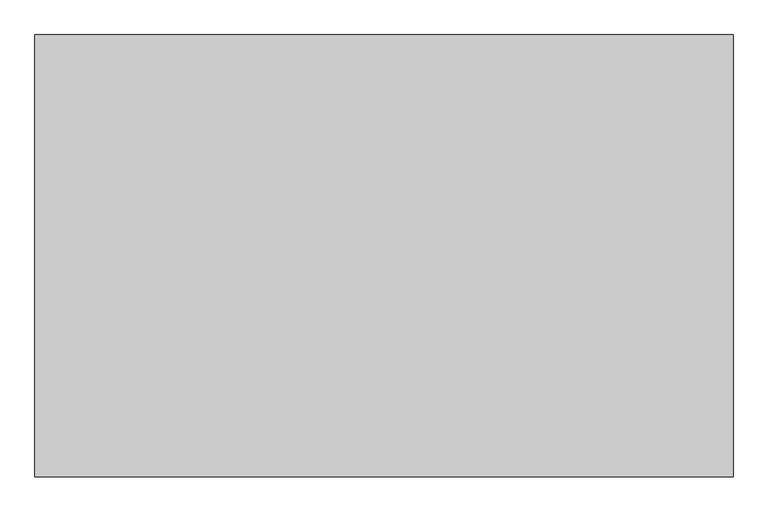
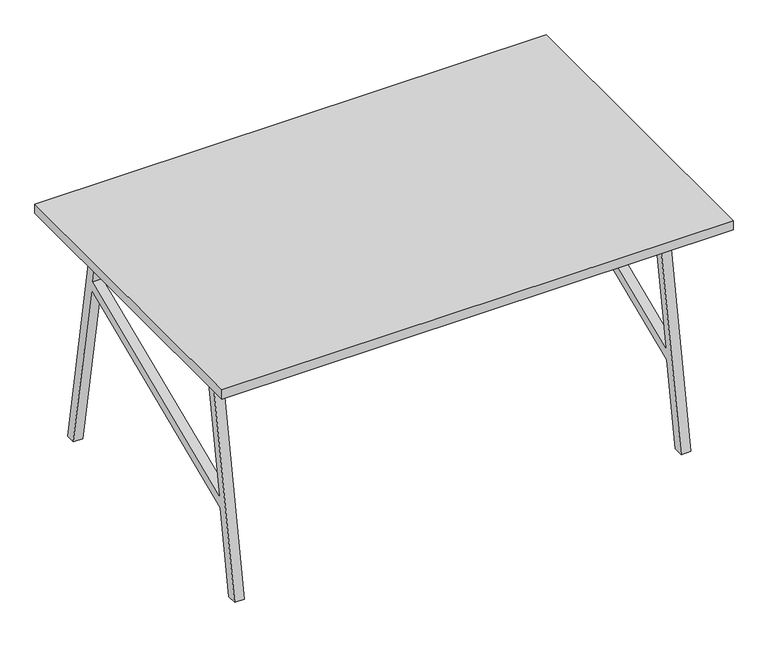
"""IFC4 building model written with IfcOpenShell, lengths in millimetres: furniture geometry."""

from ifc_helpers import new_model, si_unit, frame, origin, place, context, project, spatial, polyline, outline, extrude, source, transform, mapped, element, save


def furniture_e1b3e8df(model_context):
    return source(origin(), model_context, "Body", "SweptSolid", [
        extrude(outline(polyline([(446.9554261, 0.0), (416.4926278, 0.0), (318.5687621, 555.3538392), (-370.114175, 263.0252761), (-416.4926278, 0.0), (-446.9554261, 0.0), (-320.0, 720.0), (320.0, 720.0), (446.9554261, 0.0)]), holes=[polyline([(313.2222869, 585.6752065), (294.8270111, 690.0), (-294.8270111, 690.0), (-363.9026236, 298.2527345), (313.2222869, 585.6752065)])]), frame((659.0005608, 0.0, 0.0), z_axis=(1.0, 0.0, 0.0), x_axis=(0.0, 1.0, 0.0)), (0.0, 0.0, 1.0), 30.0),
        extrude(outline(polyline([(446.9554261, 0.0), (416.4926278, 0.0), (318.5687621, 555.3538392), (-370.114175, 263.0252761), (-416.4926278, 0.0), (-446.9554261, 0.0), (-320.0, 720.0), (320.0, 720.0), (446.9554261, 0.0)]), holes=[polyline([(313.2222869, 585.6752065), (294.8270111, 690.0), (-294.8270111, 690.0), (-363.9026236, 298.2527345), (313.2222869, 585.6752065)])]), frame((-719.0005608, 0.0, 0.0), z_axis=(1.0, 0.0, 0.0), x_axis=(0.0, 1.0, 0.0)), (0.0, 0.0, 1.0), 30.0),
        extrude(outline(polyline([(789.0005608, 500.0), (789.0005608, -500.0), (-789.0005608, -500.0), (-789.0005608, 500.0), (789.0005608, 500.0)])), frame((0.0, 0.0, 720.0), z_axis=(0.0, 0.0, 1.0), x_axis=(1.0, 0.0, 0.0)), (0.0, 0.0, 1.0), 30.0),
    ])


if __name__ == "__main__":
    model = new_model("IFC4")
    model_context = context("Model", 3, world=origin())
    ifc_project = project(units=[si_unit("LENGTHUNIT", "METRE", prefix="MILLI")], contexts=[model_context])
    site = spatial("IfcSite", under=ifc_project)
    building = spatial("IfcBuilding", under=site)
    placement = place(None, origin())
    furniture_shape = furniture_e1b3e8df(model_context)
    element("IfcFurniture", 1, at=placement, inside=building, context=model_context, shape_type="MappedRepresentation", body=[
        mapped(furniture_shape, transform((0.0, 0.0, 0.0), x_axis=(1.0, 0.0, 0.0), y_axis=(0.0, 1.0, 0.0), z_axis=(0.0, 0.0, 1.0))),
    ])
    save(model, "model.ifc")
